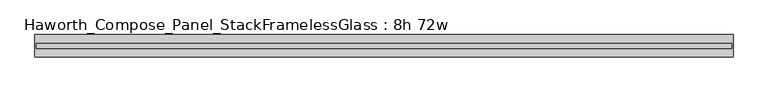
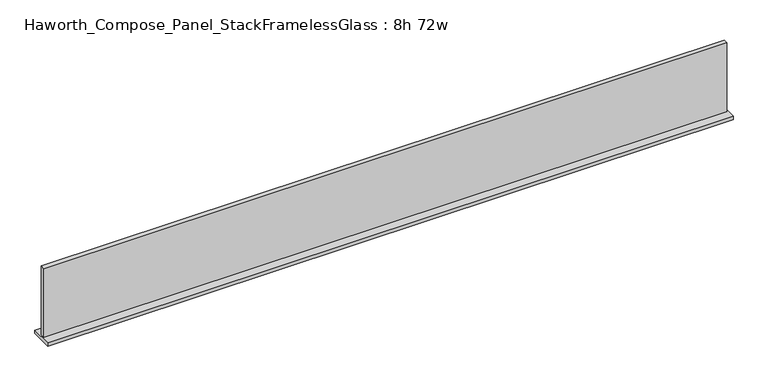
"""IFC4 building model written with IfcOpenShell, lengths in millimetres: furniture geometry, Haworth_Compose_Panel_StackFramelessGlass : 8h 72w."""

from ifc_helpers import new_model, si_unit, frame, origin, place, context, project, spatial, polyline, outline, extrude, source, transform, mapped, element, save


def haworth_compose_panel_stackframelessglass_8h_72w_21a4380b(model_context):
    return source(origin(), model_context, "Body", "SweptSolid", [
        extrude(outline(polyline([(913.6652902, 27.3093594), (913.6652902, 14.6093594), (-908.7847098, 14.6093594), (-908.7847098, 27.3093594), (913.6652902, 27.3093594)])), frame((0.0, 0.0, 1279.525), z_axis=(0.0, 0.0, 1.0), x_axis=(1.0, 0.0, 0.0)), (0.0, 0.0, 1.0), 193.675),
        extrude(outline(polyline([(-911.9597098, 50.3281094), (916.8402902, 50.3281094), (916.8402902, -8.4093906), (-911.9597098, -8.4093906), (-911.9597098, 50.3281094)])), frame((0.0, 0.0, 1270.0), z_axis=(0.0, 0.0, 1.0), x_axis=(1.0, 0.0, 0.0)), (0.0, 0.0, 1.0), 9.525),
    ])


if __name__ == "__main__":
    model = new_model("IFC4")
    model_context = context("Model", 3, world=origin())
    ifc_project = project(units=[si_unit("LENGTHUNIT", "METRE", prefix="MILLI")], contexts=[model_context])
    site = spatial("IfcSite", under=ifc_project)
    building = spatial("IfcBuilding", under=site)
    placement = place(None, origin())
    haworth_compose_panel_stackframelessglass_8h_72w_shape = haworth_compose_panel_stackframelessglass_8h_72w_21a4380b(model_context)
    element("IfcFurniture", 1, ObjectType="Haworth_Compose_Panel_StackFramelessGlass : 8h 72w", at=placement, inside=building, context=model_context, shape_type="MappedRepresentation", body=[
        mapped(haworth_compose_panel_stackframelessglass_8h_72w_shape, transform((0.0, 0.0, 0.0), x_axis=(1.0, 0.0, 0.0), y_axis=(0.0, 1.0, 0.0), z_axis=(0.0, 0.0, 1.0))),
    ])
    save(model, "model.ifc")
